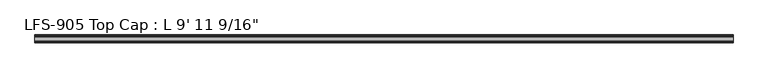
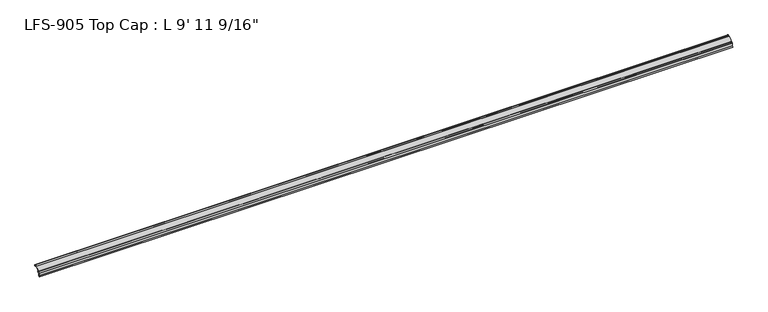
"""IFC4 building model written with IfcOpenShell, lengths in millimetres: proxy geometry."""

from ifc_helpers import new_model, si_unit, frame, origin, place, context, project, spatial, polyline, circle_curve, source, transform, mapped, element, save
from ifc_brep_helpers import plane_surface, cylinder_surface, revolved_surface, advanced_brep


def proxy_ac41ddc0(model_context):
    return source(origin(), model_context, "Body", "AdvancedBrep", [
        advanced_brep(
        [(3036.8875, -11.9842063, -4.7908498), (3036.8875, -11.285332, -4.0919755), (3036.8875, -10.4181218, -4.4511858), (3036.8875, -10.0845373, -5.4848681), (3036.8875, -8.8306218, -4.8356596), (3036.8875, -8.8306218, -2.8545037), (3036.8875, -6.319747, -2.2238726), (3036.8875, -6.162328, -3.1153995), (3036.8875, -4.5467242, -3.078236), (3036.8875, -6.0988312, -0.2880269), (3036.8875, -6.2733116, 0.9200448), (3036.8875, 6.6291755, 13.822532), (3036.8875, 7.7517076, 14.2875), (3036.8875, 12.2396814, 14.2875), (3036.8875, 12.7331269, 13.6587708), (3036.8875, 15.9234901, 10.1995675), (3036.8875, 16.9994388, 10.5588377), (3036.8875, 16.7818575, 12.1019757), (3036.8875, 15.8731607, 11.8349932), (3036.8875, 15.5626213, 14.2875), (3036.8875, 16.7406298, 14.2875), (3036.8875, 16.7406298, 15.875), (3036.8875, 15.7631892, 15.875), (3036.8875, 6.4365795, 15.875), (3036.8875, -14.0366743, -4.5982538), (3036.8875, -14.0366743, -15.7272521), (3036.8875, -17.4717033, -19.1622811), (3036.8875, -16.3491713, -20.2848131), (3036.8875, -12.4491743, -16.3848161), (3036.8875, -12.4491743, -5.9133818), (0.0, -11.9842063, -4.7908498), (0.0, -12.4491743, -5.9133818), (0.0, -12.4491743, -16.3848161), (0.0, -16.3491713, -20.2848131), (0.0, -17.4717033, -19.1622811), (0.0, -14.0366743, -15.7272521), (0.0, -14.0366743, -4.5982538), (0.0, 6.4365795, 15.875), (0.0, 15.7631892, 15.875), (0.0, 16.7406298, 15.875), (0.0, 16.7406298, 14.2875), (0.0, 15.5626213, 14.2875), (0.0, 15.8760106, 11.8365279), (0.0, 16.7818575, 12.1019757), (0.0, 16.9994388, 10.5588377), (0.0, 15.9234901, 10.1995675), (0.0, 12.7331269, 13.6587708), (0.0, 12.2396814, 14.2875), (0.0, 7.7517076, 14.2875), (0.0, 6.6291755, 13.822532), (0.0, -6.2733116, 0.9200448), (0.0, -6.0988312, -0.2880269), (0.0, -4.5467242, -3.078236), (0.0, -6.162328, -3.1153995), (0.0, -6.319747, -2.2238726), (0.0, -8.8306218, -2.8545037), (0.0, -8.8306218, -4.8356596), (0.0, -10.0845373, -5.4848681), (0.0, -10.4181218, -4.4511858), (0.0, -11.285332, -4.0919755)],
        [
            (0, 1),
            (1, 2, circle_curve(frame((3036.8875, -10.9261218, -4.4511858), z_axis=(-1.0, 0.0, 0.0), x_axis=(0.0, -1.0, 0.0)), 0.508)),
            (2, 3, circle_curve(frame((3036.8875, -9.2294466, -4.6382503), z_axis=(1.0, 0.0, 0.0), x_axis=(0.0, -1.0, 0.0)), 1.2033045)),
            (3, 4, circle_curve(frame((3036.8875, -9.6256418, -4.8356596), z_axis=(1.0, 0.0, 0.0), x_axis=(0.0, -1.0, 0.0)), 0.79502)),
            (4, 5),
            (5, 6, circle_curve(frame((3036.8875, -7.4959898, -2.8545037), z_axis=(-1.0, 0.0, 0.0), x_axis=(0.0, -1.0, 0.0)), 1.334632)),
            (6, 7, circle_curve(frame((3036.8875, -8.5533469, -3.077926), z_axis=(-1.0, 0.0, 0.0), x_axis=(0.0, -1.0, 0.0)), 2.3913126)),
            (7, 8, circle_curve(frame((3036.8875, -5.3538072, -3.1280712), z_axis=(1.0, 0.0, 0.0), x_axis=(0.0, -1.0, 0.0)), 0.8086201)),
            (8, 9, circle_curve(frame((3036.8875, -7.5911223, -2.9449413), z_axis=(1.0, 0.0, 0.0), x_axis=(0.0, -1.0, 0.0)), 3.0473147)),
            (9, 10, circle_curve(frame((3036.8875, -5.7344963, 0.3812295), z_axis=(-1.0, 0.0, 0.0), x_axis=(0.0, -1.0, 0.0)), 0.762)),
            (10, 11),
            (11, 12, circle_curve(frame((3036.8875, 7.7517076, 12.7), z_axis=(-1.0, 0.0, 0.0), x_axis=(0.0, -1.0, 0.0)), 1.5875)),
            (12, 13),
            (13, 14, circle_curve(frame((3036.8875, 12.2396814, 13.7795), z_axis=(-1.0, 0.0, 0.0), x_axis=(0.0, -1.0, 0.0)), 0.508)),
            (14, 15, circle_curve(frame((3036.8875, 15.4040561, 12.9213125), z_axis=(1.0, 0.0, 0.0), x_axis=(0.0, -1.0, 0.0)), 2.7708676)),
            (15, 16, circle_curve(frame((3036.8875, 15.1258233, 14.3792045), z_axis=(1.0, 0.0, 0.0), x_axis=(0.0, -1.0, 0.0)), 4.255072)),
            (16, 17, circle_curve(frame((3036.8875, 16.7408521, 11.3092856), z_axis=(1.0, 0.0, 0.0), x_axis=(0.0, -1.0, 0.0)), 0.79375)),
            (17, 18, circle_curve(frame((3036.8875, 16.957198, 9.8252866), z_axis=(1.0, 0.0, 0.0), x_axis=(0.0, -1.0, 0.0)), 2.2834311)),
            (18, 19, circle_curve(frame((3036.8875, 15.4821011, 13.0316829), z_axis=(-1.0, 0.0, 0.0), x_axis=(0.0, -1.0, 0.0)), 1.2583959)),
            (19, 20),
            (20, 21, circle_curve(frame((3036.8875, 16.7406298, 15.08125), z_axis=(1.0, 0.0, 0.0), x_axis=(0.0, -1.0, 0.0)), 0.79375)),
            (21, 22),
            (22, 23),
            (23, 24),
            (24, 25),
            (25, 26),
            (26, 27),
            (27, 28),
            (28, 29),
            (29, 0, circle_curve(frame((3036.8875, -10.8616743, -5.9133818), z_axis=(-1.0, 0.0, 0.0), x_axis=(0.0, -1.0, 0.0)), 1.5875)),
            (30, 31, circle_curve(frame((0.0, -10.8616743, -5.9133818), z_axis=(1.0, 0.0, 0.0), x_axis=(0.0, -1.0, 0.0)), 1.5875)),
            (31, 32),
            (32, 33),
            (33, 34),
            (34, 35),
            (35, 36),
            (36, 37),
            (37, 38),
            (38, 39),
            (39, 40, circle_curve(frame((0.0, 16.7406298, 15.08125), z_axis=(-1.0, 0.0, 0.0), x_axis=(0.0, -1.0, 0.0)), 0.79375)),
            (40, 41),
            (41, 42, circle_curve(frame((0.0, 15.4821011, 13.0316829), z_axis=(1.0, 0.0, 0.0), x_axis=(0.0, -1.0, 0.0)), 1.2583959)),
            (42, 43, circle_curve(frame((0.0, 16.957198, 9.8252866), z_axis=(-1.0, 0.0, 0.0), x_axis=(0.0, -1.0, 0.0)), 2.2834311)),
            (43, 44, circle_curve(frame((0.0, 16.7408521, 11.3092856), z_axis=(-1.0, 0.0, 0.0), x_axis=(0.0, -1.0, 0.0)), 0.79375)),
            (44, 45, circle_curve(frame((0.0, 15.1258233, 14.3792045), z_axis=(-1.0, 0.0, 0.0), x_axis=(0.0, -1.0, 0.0)), 4.255072)),
            (45, 46, circle_curve(frame((0.0, 15.4040561, 12.9213125), z_axis=(-1.0, 0.0, 0.0), x_axis=(0.0, -1.0, 0.0)), 2.7708676)),
            (46, 47, circle_curve(frame((0.0, 12.2396814, 13.7795), z_axis=(1.0, 0.0, 0.0), x_axis=(0.0, -1.0, 0.0)), 0.508)),
            (47, 48),
            (48, 49, circle_curve(frame((0.0, 7.7517076, 12.7), z_axis=(1.0, 0.0, 0.0), x_axis=(0.0, -1.0, 0.0)), 1.5875)),
            (49, 50),
            (50, 51, circle_curve(frame((0.0, -5.7344963, 0.3812295), z_axis=(1.0, 0.0, 0.0), x_axis=(0.0, -1.0, 0.0)), 0.762)),
            (51, 52, circle_curve(frame((0.0, -7.5911223, -2.9449413), z_axis=(-1.0, 0.0, 0.0), x_axis=(0.0, -1.0, 0.0)), 3.0473147)),
            (52, 53, circle_curve(frame((0.0, -5.3538072, -3.1280712), z_axis=(-1.0, 0.0, 0.0), x_axis=(0.0, -1.0, 0.0)), 0.8086201)),
            (53, 54, circle_curve(frame((0.0, -8.5533469, -3.077926), z_axis=(1.0, 0.0, 0.0), x_axis=(0.0, -1.0, 0.0)), 2.3913126)),
            (54, 55, circle_curve(frame((0.0, -7.4959898, -2.8545037), z_axis=(1.0, 0.0, 0.0), x_axis=(0.0, -1.0, 0.0)), 1.334632)),
            (55, 56),
            (56, 57, circle_curve(frame((0.0, -9.6256418, -4.8356596), z_axis=(-1.0, 0.0, 0.0), x_axis=(0.0, -1.0, 0.0)), 0.79502)),
            (57, 58, circle_curve(frame((0.0, -9.2294466, -4.6382503), z_axis=(-1.0, 0.0, 0.0), x_axis=(0.0, -1.0, 0.0)), 1.2033045)),
            (58, 59, circle_curve(frame((0.0, -10.9261218, -4.4511858), z_axis=(1.0, 0.0, 0.0), x_axis=(0.0, -1.0, 0.0)), 0.508)),
            (59, 30),
            (0, 30),
            (59, 1),
            (58, 2),
            (57, 3),
            (56, 4),
            (55, 5),
            (54, 6),
            (53, 7),
            (52, 8),
            (51, 9),
            (50, 10),
            (49, 11),
            (48, 12),
            (47, 13),
            (46, 14),
            (45, 15),
            (44, 16),
            (43, 17),
            (42, 18),
            (41, 19),
            (40, 20),
            (39, 21),
            (38, 22),
            (37, 23),
            (36, 24),
            (35, 25),
            (34, 26),
            (33, 27),
            (32, 28),
            (31, 29),
        ],
        [
            plane_surface(frame((3036.8875, -11.9842063, -4.7908498), z_axis=(1.0000000000000002, 0.0, 0.0), x_axis=(0.0, 0.7071067811854889, 0.7071067811876063))),
            plane_surface(frame((0.0, -11.9842063, -4.7908498), z_axis=(-1.0000000000000002, 0.0, 0.0), x_axis=(0.0, -0.7071067811854889, -0.7071067811876063))),
            plane_surface(frame((3036.8875, -11.9842063, -4.7908498), z_axis=(0.0, 0.7071067811876063, -0.7071067811854889), x_axis=(-1.0, 0.0, 0.0))),
            revolved_surface(polyline([(0.0, -11.4341218, -4.4511858), (3036.8875, -11.4341218, -4.4511858)]), (0.0, -10.9261218, -4.4511858), (-1.0, 0.0, 0.0)),
            cylinder_surface(frame((0.0, -9.2294466, -4.6382503), z_axis=(1.0, 0.0, 0.0), x_axis=(0.0, -1.0, 0.0)), 1.2033045),
            cylinder_surface(frame((0.0, -9.6256418, -4.8356596), z_axis=(1.0, 0.0, 0.0), x_axis=(0.0, -1.0, 0.0)), 0.79502),
            plane_surface(frame((3036.8875, -8.8306218, -4.8356596), z_axis=(0.0, 1.0, 0.0), x_axis=(-1.0, 0.0, 0.0))),
            revolved_surface(polyline([(0.0, -8.8306218, -2.8545037), (3036.8875, -8.8306218, -2.8545037)]), (0.0, -7.4959898, -2.8545037), (-1.0, 0.0, 0.0)),
            revolved_surface(polyline([(0.0, -10.9446595, -3.077926), (3036.8875, -10.9446595, -3.077926)]), (0.0, -8.5533469, -3.077926), (-1.0, 0.0, 0.0)),
            cylinder_surface(frame((0.0, -5.3538072, -3.1280712), z_axis=(1.0, 0.0, 0.0), x_axis=(0.0, -1.0, 0.0)), 0.8086201),
            cylinder_surface(frame((0.0, -7.5911223, -2.9449413), z_axis=(1.0, 0.0, 0.0), x_axis=(0.0, -1.0, 0.0)), 3.0473147),
            revolved_surface(polyline([(0.0, -6.4964963000000004, 0.3812295), (3036.8875, -6.4964963000000004, 0.3812295)]), (0.0, -5.7344963, 0.3812295), (-1.0, 0.0, 0.0)),
            plane_surface(frame((3036.8875, -6.2733116, 0.9200448), z_axis=(0.0, 0.7071067811865339, -0.7071067811865612), x_axis=(-1.0, 0.0, 0.0))),
            revolved_surface(polyline([(0.0, 6.164207599999999, 12.7), (3036.8875, 6.164207599999999, 12.7)]), (0.0, 7.7517076, 12.7), (-1.0, 0.0, 0.0)),
            plane_surface(frame((3036.8875, 7.7517076, 14.2875), z_axis=(0.0, 0.0, -1.0), x_axis=(-1.0, 0.0, 0.0))),
            revolved_surface(polyline([(0.0, 11.7316814, 13.7795), (3036.8875, 11.7316814, 13.7795)]), (0.0, 12.2396814, 13.7795), (-1.0, 0.0, 0.0)),
            cylinder_surface(frame((0.0, 15.4040561, 12.9213125), z_axis=(1.0, 0.0, 0.0), x_axis=(0.0, -1.0, 0.0)), 2.7708676),
            cylinder_surface(frame((0.0, 15.1258233, 14.3792045), z_axis=(1.0, 0.0, 0.0), x_axis=(0.0, -1.0, 0.0)), 4.255072),
            cylinder_surface(frame((0.0, 16.7408521, 11.3092856), z_axis=(1.0, 0.0, 0.0), x_axis=(0.0, -1.0, 0.0)), 0.79375),
            cylinder_surface(frame((0.0, 16.957198, 9.8252866), z_axis=(1.0, 0.0, 0.0), x_axis=(0.0, -1.0, 0.0)), 2.2834311),
            revolved_surface(polyline([(0.0, 14.2237052, 13.0316829), (3036.8875, 14.2237052, 13.0316829)]), (0.0, 15.4821011, 13.0316829), (-1.0, 0.0, 0.0)),
            plane_surface(frame((3036.8875, 15.5626213, 14.2875), z_axis=(0.0, 0.0, -1.0), x_axis=(-1.0, 0.0, 0.0))),
            cylinder_surface(frame((0.0, 16.7406298, 15.08125), z_axis=(1.0, 0.0, 0.0), x_axis=(0.0, -1.0, 0.0)), 0.79375),
            plane_surface(frame((3036.8875, 16.7406298, 15.875), z_axis=(0.0, 0.0, 1.0), x_axis=(-1.0, 0.0, 0.0))),
            plane_surface(frame((3036.8875, 15.7631892, 15.875), z_axis=(0.0, 0.0, 1.0), x_axis=(-1.0, 0.0, 0.0))),
            plane_surface(frame((3036.8875, 6.4365795, 15.875), z_axis=(0.0, -0.7071067811865581, 0.7071067811865369), x_axis=(-1.0, 0.0, 0.0))),
            plane_surface(frame((3036.8875, -14.0366743, -4.5982538), z_axis=(0.0, -1.0, 0.0), x_axis=(-1.0, 0.0, 0.0))),
            plane_surface(frame((3036.8875, -14.0366743, -15.7272521), z_axis=(0.0, -0.7071067811866965, 0.7071067811863986), x_axis=(-1.0, 0.0, 0.0))),
            plane_surface(frame((3036.8875, -17.4717033, -19.1622811), z_axis=(0.0, -0.7071067811868007, -0.7071067811862944), x_axis=(-1.0, 0.0, 0.0))),
            plane_surface(frame((3036.8875, -16.3491713, -20.2848131), z_axis=(0.0, 0.7071067811865882, -0.7071067811865068), x_axis=(-1.0, 0.0, 0.0))),
            plane_surface(frame((3036.8875, -12.4491743, -16.3848161), z_axis=(0.0, 1.0, 0.0), x_axis=(-1.0, 0.0, 0.0))),
            revolved_surface(polyline([(0.0, -12.449174300000001, -5.9133818), (3036.8875, -12.449174300000001, -5.9133818)]), (0.0, -10.8616743, -5.9133818), (-1.0, 0.0, 0.0)),
        ],
        [
            (0, [[1, 2, 3, 4, 5, 6, 7, 8, 9, 10, 11, 12, 13, 14, 15, 16, 17, 18, 19, 20, 21, 22, 23, 24, 25, 26, 27, 28, 29, 30]]),
            (1, [[31, 32, 33, 34, 35, 36, 37, 38, 39, 40, 41, 42, 43, 44, 45, 46, 47, 48, 49, 50, 51, 52, 53, 54, 55, 56, 57, 58, 59, 60]]),
            (2, [[-1, 61, -60, 62]]),
            (3, [[-2, -62, -59, 63]]),
            (4, [[-3, -63, -58, 64]]),
            (5, [[-4, -64, -57, 65]]),
            (6, [[-5, -65, -56, 66]]),
            (7, [[-6, -66, -55, 67]]),
            (8, [[-7, -67, -54, 68]]),
            (9, [[-8, -68, -53, 69]]),
            (10, [[-9, -69, -52, 70]]),
            (11, [[-10, -70, -51, 71]]),
            (12, [[-11, -71, -50, 72]]),
            (13, [[-12, -72, -49, 73]]),
            (14, [[-13, -73, -48, 74]]),
            (15, [[-14, -74, -47, 75]]),
            (16, [[-15, -75, -46, 76]]),
            (17, [[-16, -76, -45, 77]]),
            (18, [[-17, -77, -44, 78]]),
            (19, [[-18, -78, -43, 79]]),
            (20, [[-19, -79, -42, 80]]),
            (21, [[-20, -80, -41, 81]]),
            (22, [[-21, -81, -40, 82]]),
            (23, [[-22, -82, -39, 83]]),
            (24, [[-23, -83, -38, 84]]),
            (25, [[-24, -84, -37, 85]]),
            (26, [[-25, -85, -36, 86]]),
            (27, [[-26, -86, -35, 87]]),
            (28, [[-27, -87, -34, 88]]),
            (29, [[-28, -88, -33, 89]]),
            (30, [[-29, -89, -32, 90]]),
            (31, [[-30, -90, -31, -61]]),
        ],
    ),
    ])


if __name__ == "__main__":
    model = new_model("IFC4")
    model_context = context("Model", 3, world=origin())
    ifc_project = project(units=[si_unit("LENGTHUNIT", "METRE", prefix="MILLI")], contexts=[model_context])
    site = spatial("IfcSite", under=ifc_project)
    building = spatial("IfcBuilding", under=site)
    placement = place(None, origin())
    proxy_shape = proxy_ac41ddc0(model_context)
    element("IfcBuildingElementProxy", 1, Name="LFS-905 Top Cap : L 9' 11 9/16\"", ObjectType="LFS-905 Top Cap : L 9' 11 9/16\"", at=placement, inside=building, context=model_context, shape_type="MappedRepresentation", body=[
        mapped(proxy_shape, transform((0.0, 0.0, 0.0), x_axis=(1.0, 0.0, 0.0), y_axis=(0.0, 1.0, 0.0), z_axis=(0.0, 0.0, 1.0))),
    ])
    save(model, "model.ifc")
